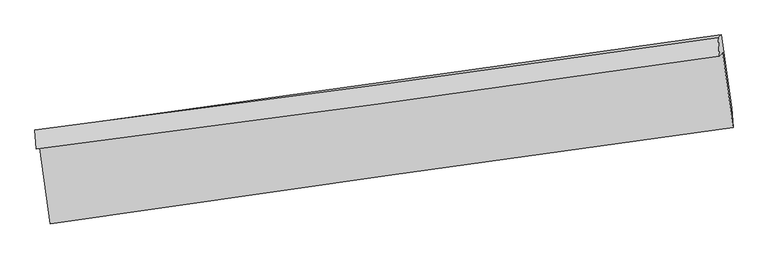
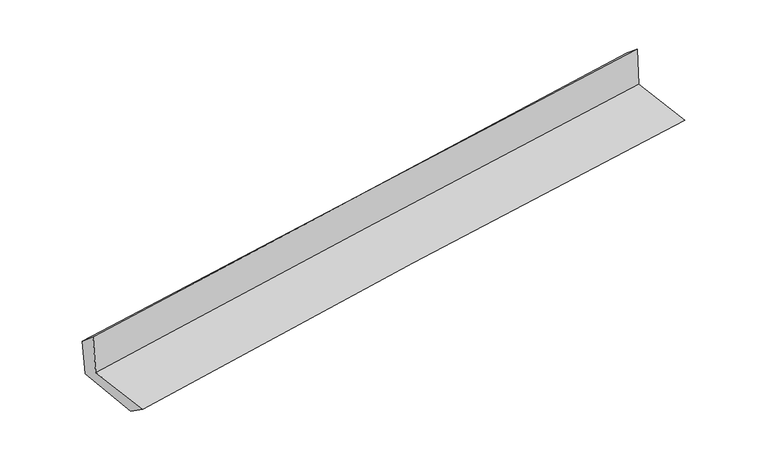
"""IFC4 building model written with IfcOpenShell, lengths in millimetres: proxy geometry."""

from ifc_helpers import new_model, si_unit, frame, origin, place, context, project, spatial, source, transform, mapped, element, save
from ifc_brep_helpers import plane_surface, spline_curve, spline_surface, advanced_brep


def generic_models_9419a744(model_context):
    return source(origin(), model_context, "Body", "AdvancedBrep", [
        advanced_brep(
        [(-3001.8510018, -1922.5598151, 1652.3649043), (-2908.7937984, -2585.8863656, 1633.3541099), (3049.4895485, -1743.9124417, 2119.4433851), (2958.5592564, -1091.4373892, 2138.6851576), (-3032.808004, -1929.989713, 2051.2709608), (2930.3308588, -1118.7597063, 2537.7002999), (-3044.095051, -1765.4779859, 1908.9063491), (2918.9538708, -959.646274, 2407.6376281), (-3015.3812993, -1763.700313, 1547.7079223), (2945.0726162, -933.6368192, 2037.196358), (-2924.1202748, -2399.3510475, 1503.466901), (3036.3586119, -1574.2952, 1993.311214)],
        [
            (0, 1),
            (1, 2, spline_curve(3, [(-2908.7937984, -2585.8863656, 1633.3541099), (-1916.999168751, -2442.303728448, 1724.644789037), (-924.56145647, -2300.345602307, 1810.798762347), (1061.533079402, -2019.687847196, 1972.827827065), (2055.189815943, -1880.987998568, 2048.703612258), (3049.4895485, -1743.9124417, 2119.4433851)], [4, 2, 4], [0.0, 9.904334482383192, 19.808000211613823])),
            (2, 3),
            (3, 0, spline_curve(3, [(2958.5592564, -1091.4373892, 2138.6851576), (1964.853984445, -1233.618373894, 2067.870260171), (971.317257305, -1373.966791833, 1991.937664574), (-1015.486185106, -1651.007847763, 1829.831604838), (-2008.752877216, -1787.700238633, 1743.657449083), (-3001.8510018, -1922.5598151, 1652.3649043)], [4, 2, 4], [0.0, 9.903665729230632, 19.808000211613823])),
            (4, 0),
            (3, 5),
            (5, 4, spline_curve(3, [(2930.3308588, -1118.7597063, 2537.7002999), (1936.843442826, -1264.487167425, 2470.288468748), (943.188279154, -1404.95129392, 2396.048374333), (-1044.524652661, -1675.362006824, 2233.90618326), (-2038.582443053, -1805.307882885, 2146.003165036), (-3032.808004, -1929.989713, 2051.2709608)], [4, 2, 4], [0.0, 9.904240426632372, 19.809149645224217])),
            (6, 4),
            (5, 7),
            (7, 6, spline_curve(3, [(2918.9538708, -959.646274, 2407.6376281), (1926.15139378, -1101.861249839, 2325.32508269), (932.846205987, -1240.119246973, 2242.609286652), (-1054.836700081, -1508.730352013, 2076.365581467), (-2049.214486045, -1639.082925636, 1992.837617481), (-3044.095051, -1765.4779859, 1908.9063491)], [4, 2, 4], [0.0, 9.90433605792284, 19.809340914262734])),
            (8, 6),
            (7, 9),
            (9, 8, spline_curve(3, [(2945.0726162, -933.6368192, 2037.196358), (1951.338319764, -1072.296824812, 1960.369780837), (957.783442312, -1210.796455708, 1881.167246493), (-1029.034553805, -1487.484308564, 1718.004755452), (-2022.297647952, -1625.672509206, 1634.044477976), (-3015.3812993, -1763.700313, 1547.7079223)], [4, 2, 4], [0.0, 9.90431497916768, 19.809298755329053])),
            (10, 8),
            (9, 11),
            (11, 10, spline_curve(3, [(3036.3586119, -1574.2952, 1993.311214), (2043.348088634, -1719.188939004, 1919.559393318), (1050.153028936, -1860.38826583, 1841.864634953), (-936.673241508, -2135.407380702, 1678.583729595), (-1930.304477609, -2269.226669756, 1592.997050378), (-2924.1202748, -2399.3510475, 1503.466901)], [4, 2, 4], [0.0, 9.903831937938923, 19.808332640253784])),
            (1, 10),
            (11, 2),
        ],
        [
            spline_surface(3, 3, [[(-3001.8510018, -1922.5598151, 1652.3649043), (-2008.75287728, -1787.700238533, 1743.657449062), (-1015.486184975, -1651.007847867, 1829.831604743), (971.317257173, -1373.96679173, 1991.93766467), (1964.853984298, -1233.618373771, 2067.870260081), (2958.5592564, -1091.4373892, 2138.6851576)], [(-2970.831933995, -2143.668665274, 1646.027972823), (-1978.168307774, -2005.901401898, 1737.31989569), (-985.177942142, -1867.453766059, 1823.487323941), (1001.389197888, -1589.207143553, 1985.567718808), (1994.965928209, -1449.408248773, 2061.481377413), (2988.869353772, -1308.929073395, 2132.271233415)], [(-2939.812866205, -2364.777515426, 1639.691041377), (-1947.583738282, -2224.102565241, 1730.982342348), (-954.869699263, -2083.899684182, 1817.143043135), (1031.461138648, -1804.447495306, 1979.197772941), (2025.077872102, -1665.19812369, 2055.092494798), (3019.179451128, -1526.420757505, 2125.857309285)], [(-2908.7937984, -2585.8863656, 1633.3541099), (-1916.999168776, -2442.303728606, 1724.644788976), (-924.56145643, -2300.345602374, 1810.798762333), (1061.533079363, -2019.687847128, 1972.827827079), (2055.189816013, -1880.987998693, 2048.70361213), (3049.4895485, -1743.9124417, 2119.4433851)]], [4, 4], [4, 2, 4], [0.0, 2.146033422475816], [0.0, 9.904334482383192, 19.808000211613823]),
            spline_surface(3, 3, [[(-3032.808004, -1929.989713, 2051.2709608), (-2038.58244308, -1805.30788274, 2146.003165041), (-1044.524652559, -1675.36200692, 2233.906183368), (943.188279052, -1404.951293824, 2396.048374225), (1936.843442799, -1264.487167444, 2470.288468886), (2930.3308588, -1118.7597063, 2537.7002999)], [(-3022.48900325, -1927.513080355, 1918.30227532), (-2028.639254463, -1799.438667993, 2011.887926401), (-1034.845163356, -1667.243953881, 2099.214657136), (952.5646051, -1394.623126438, 2261.344804349), (1946.180289967, -1254.197569554, 2336.149065952), (2939.740324669, -1109.652267268, 2404.695252468)], [(-3012.17000255, -1925.036447745, 1785.33358978), (-2018.696065897, -1793.56945328, 1877.772687702), (-1025.165674177, -1659.125900905, 1964.523130975), (961.940931125, -1384.294959116, 2126.641234545), (1955.51713713, -1243.90797166, 2202.009663015), (2949.149790531, -1100.544828232, 2271.690205032)], [(-3001.8510018, -1922.5598151, 1652.3649043), (-2008.75287728, -1787.700238533, 1743.657449062), (-1015.486184975, -1651.007847867, 1829.831604743), (971.317257173, -1373.96679173, 1991.93766467), (1964.853984298, -1233.618373771, 2067.870260081), (2958.5592564, -1091.4373892, 2138.6851576)]], [4, 4], [4, 2, 4], [0.0, 1.3321724024143866], [0.0, 9.904909218591845, 19.809149645224217]),
            spline_surface(3, 3, [[(-3044.095051, -1765.4779859, 1908.9063491), (-2049.214486043, -1639.082925595, 1992.837617642), (-1054.836700068, -1508.73035203, 2076.365581465), (932.846205974, -1240.119246957, 2242.609286654), (1926.151393926, -1101.861249939, 2325.32508253), (2918.9538708, -959.646274, 2407.6376281)], [(-3040.332702022, -1820.315228259, 1956.361219643), (-2045.670471744, -1694.491244635, 2043.892800084), (-1051.399350893, -1564.274237012, 2128.879115456), (936.293563672, -1295.063262598, 2293.755649201), (1929.715410191, -1156.069889108, 2373.64621133), (2922.746200108, -1012.684084767, 2450.991852048)], [(-3036.570352978, -1875.152470641, 2003.816090257), (-2042.126457379, -1749.899563699, 2094.947982599), (-1047.962001734, -1619.818121937, 2181.392649376), (939.740921354, -1350.007278183, 2344.902011677), (1933.279426534, -1210.278528275, 2421.967340086), (2926.538529492, -1065.721895533, 2494.346075952)], [(-3032.808004, -1929.989713, 2051.2709608), (-2038.58244308, -1805.30788274, 2146.003165041), (-1044.524652559, -1675.36200692, 2233.906183368), (943.188279052, -1404.951293824, 2396.048374225), (1936.843442799, -1264.487167444, 2470.288468886), (2930.3308588, -1118.7597063, 2537.7002999)]], [4, 4], [4, 2, 4], [0.0, 0.7463521347793702], [0.0, 9.905004856339893, 19.809340914262734]),
            spline_surface(3, 3, [[(-3015.3812993, -1763.700313, 1547.7079223), (-2022.297648007, -1625.672509105, 1634.044477828), (-1029.034553782, -1487.484308609, 1718.004755457), (957.783442289, -1210.796455663, 1881.167246488), (1951.338319885, -1072.296824931, 1960.369780722), (2945.0726162, -933.6368192, 2037.196358)], [(-3024.952549848, -1764.292870637, 1668.107397925), (-2031.269927334, -1630.142647938, 1753.642191124), (-1037.635269234, -1494.566323086, 1837.458364105), (949.471030161, -1220.570719432, 2001.647926522), (1942.942677914, -1082.151633264, 2082.021547981), (2936.366367748, -942.306637464, 2160.676781357)], [(-3034.523800452, -1764.885428263, 1788.506873475), (-2040.242206716, -1634.612786762, 1873.239904346), (-1046.235984616, -1501.648337552, 1956.911972817), (941.158618103, -1230.344983188, 2122.12860662), (1934.547035898, -1092.006441606, 2203.67331527), (2927.660119252, -950.976455736, 2284.157204743)], [(-3044.095051, -1765.4779859, 1908.9063491), (-2049.214486043, -1639.082925595, 1992.837617642), (-1054.836700068, -1508.73035203, 2076.365581465), (932.846205974, -1240.119246957, 2242.609286654), (1926.151393926, -1101.861249939, 2325.32508253), (2918.9538708, -959.646274, 2407.6376281)]], [4, 4], [4, 2, 4], [0.0, 1.186611700943723], [0.0, 9.904983776161373, 19.809298755329053]),
            spline_surface(3, 3, [[(-2924.1202748, -2399.3510475, 1503.466901), (-1930.304477583, -2269.226669606, 1592.997050484), (-936.673241604, -2135.407380659, 1678.583729705), (1050.153029032, -1860.388265874, 1841.864634843), (2043.348088635, -1719.188938985, 1919.559393309), (3036.3586119, -1574.2952, 1993.311214)], [(-2954.540616325, -2187.467469333, 1518.213908095), (-1960.968867749, -2054.708616105, 1606.67952626), (-967.460345661, -1919.433023282, 1691.724071647), (1019.363166787, -1643.857662444, 1854.965505416), (2012.678165707, -1503.558234279, 1933.162855804), (3005.929946656, -1360.742406379, 2007.939595358)], [(-2984.960957775, -1975.583891167, 1532.960915205), (-1991.633257841, -1840.190562606, 1620.362002051), (-998.247449725, -1703.458665985, 1704.864413516), (988.573304535, -1427.327059093, 1868.066375915), (1982.008242812, -1287.927529637, 1946.766318227), (2975.501281444, -1147.189612821, 2022.567976642)], [(-3015.3812993, -1763.700313, 1547.7079223), (-2022.297648007, -1625.672509105, 1634.044477828), (-1029.034553782, -1487.484308609, 1718.004755457), (957.783442289, -1210.796455663, 1881.167246488), (1951.338319885, -1072.296824931, 1960.369780722), (2945.0726162, -933.6368192, 2037.196358)]], [4, 4], [4, 2, 4], [0.0, 2.1538079814762474], [0.0, 9.904500702314861, 19.808332640253784]),
            spline_surface(3, 3, [[(-2908.7937984, -2585.8863656, 1633.3541099), (-1916.999168776, -2442.303728606, 1724.644788976), (-924.56145643, -2300.345602374, 1810.798762333), (1061.533079363, -2019.687847128, 1972.827827079), (2055.189816013, -1880.987998693, 2048.70361213), (3049.4895485, -1743.9124417, 2119.4433851)], [(-2913.90262386, -2523.707926242, 1590.058373594), (-1921.434271705, -2384.611375615, 1680.762209473), (-928.598718132, -2245.366195136, 1766.727084786), (1057.739729276, -1966.587986711, 1929.173429662), (2051.242573567, -1827.054978784, 2005.655539177), (3045.112569647, -1687.373361127, 2077.399328055)], [(-2919.01144934, -2461.529486858, 1546.762637306), (-1925.869374654, -2326.919022597, 1636.879629987), (-932.635979903, -2190.386787897, 1722.655407252), (1053.946379119, -1913.488126291, 1885.519032259), (2047.29533108, -1773.121958894, 1962.607466262), (3040.735590753, -1630.834280573, 2035.355271045)], [(-2924.1202748, -2399.3510475, 1503.466901), (-1930.304477583, -2269.226669606, 1592.997050484), (-936.673241604, -2135.407380659, 1678.583729705), (1050.153029032, -1860.388265874, 1841.864634843), (2043.348088635, -1719.188938985, 1919.559393309), (3036.3586119, -1574.2952, 1993.311214)]], [4, 4], [4, 2, 4], [0.0, 0.686129231138718], [0.0, 9.903907720100083, 19.807146715863134]),
            plane_surface(frame((2973.1274604, -1236.9479717, 2205.6623405), z_axis=(0.9876385650615652, 0.1353056380293277, 0.07913563748785399), x_axis=(-0.07016064091589894, -0.069867062647664, 0.9950859651423377))),
            plane_surface(frame((-2987.8415715, -2061.1608734, 1716.1785246), z_axis=(-0.987503459925828, -0.13626647157739424, -0.07917300902685373), x_axis=(-0.13887229828106756, 0.9899038355162569, 0.02837042827201899))),
        ],
        [
            (0, [[1, 2, 3, 4]]),
            (1, [[5, -4, 6, 7]]),
            (2, [[8, -7, 9, 10]]),
            (3, [[11, -10, 12, 13]]),
            (4, [[14, -13, 15, 16]]),
            (5, [[17, -16, 18, -2]]),
            (6, [[-12, -9, -6, -3, -18, -15]]),
            (7, [[-1, -5, -8, -11, -14, -17]]),
        ],
    ),
    ])


if __name__ == "__main__":
    model = new_model("IFC4")
    model_context = context("Model", 3, world=origin())
    ifc_project = project(units=[si_unit("LENGTHUNIT", "METRE", prefix="MILLI")], contexts=[model_context])
    site = spatial("IfcSite", under=ifc_project)
    building = spatial("IfcBuilding", under=site)
    placement = place(None, origin())
    generic_models_shape = generic_models_9419a744(model_context)
    element("IfcBuildingElementProxy", 1, Name="Generic Models", at=placement, inside=building, context=model_context, shape_type="MappedRepresentation", body=[
        mapped(generic_models_shape, transform((0.0, 0.0, 0.0), x_axis=(1.0, 0.0, 0.0), y_axis=(0.0, 1.0, 0.0), z_axis=(0.0, 0.0, 1.0))),
    ])
    save(model, "model.ifc")
